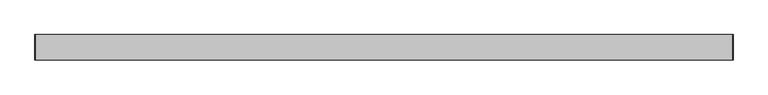
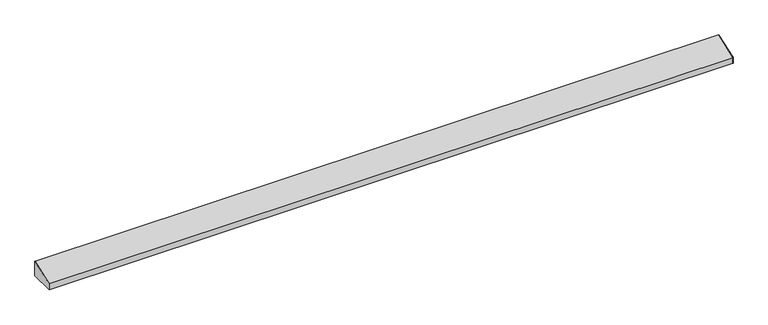
"""IFC4 building model written with IfcOpenShell, lengths in millimetres: furniture geometry."""

from ifc_helpers import new_model, si_unit, frame, origin, place, context, project, spatial, polyline, outline, extrude, source, transform, mapped, element, save


def furniture_85c48fe2(model_context):
    return source(origin(), model_context, "Body", "SweptSolid", [
        extrude(outline(polyline([(-97.4564663, 2121.3257204), (-21.2564663, 2148.5820312), (-21.2564663, 2102.5445312), (-97.4564663, 2102.5445312), (-97.4564663, 2121.3257204)])), frame((1071.2502049, 0.0, 0.0), z_axis=(1.0, 0.0, 0.0), x_axis=(0.0, 1.0, 0.0)), (0.0, 0.0, 1.0), 0.79375),
        extrude(outline(polyline([(-21.2564662, 2102.5445312), (-97.4564662, 2102.5445312), (-97.4564662, 2121.3257204), (-21.2564662, 2148.5820312), (-21.2564662, 2102.5445312)])), frame((-1034.5685451, 0.0, 0.0), z_axis=(1.0, 0.0, 0.0), x_axis=(0.0, 1.0, 0.0)), (0.0, 0.0, 1.0), 0.79375),
        extrude(outline(polyline([(-21.2564662, 2102.5445312), (-33.9564662, 2102.5445312), (-33.9564662, 2103.3382812), (-22.0502162, 2103.3382812), (-22.0502162, 2147.4993799), (-96.6627162, 2120.8208717), (-96.6627162, 2103.3382812), (-84.7564662, 2103.3382812), (-84.7564662, 2102.5445312), (-97.4564662, 2102.5445312), (-97.4564662, 2121.3257204), (-21.2564662, 2148.5820312), (-21.2564662, 2102.5445312)])), frame((-1033.7747951, 0.0, 0.0), z_axis=(1.0, 0.0, 0.0), x_axis=(0.0, 1.0, 0.0)), (0.0, 0.0, 1.0), 2105.025),
    ])


if __name__ == "__main__":
    model = new_model("IFC4")
    model_context = context("Model", 3, world=origin())
    ifc_project = project(units=[si_unit("LENGTHUNIT", "METRE", prefix="MILLI")], contexts=[model_context])
    site = spatial("IfcSite", under=ifc_project)
    building = spatial("IfcBuilding", under=site)
    placement = place(None, origin())
    furniture_shape = furniture_85c48fe2(model_context)
    element("IfcFurniture", 1, at=placement, inside=building, context=model_context, shape_type="MappedRepresentation", body=[
        mapped(furniture_shape, transform((0.0, 0.0, 0.0), x_axis=(1.0, 0.0, 0.0), y_axis=(0.0, 1.0, 0.0), z_axis=(0.0, 0.0, 1.0))),
    ])
    save(model, "model.ifc")
